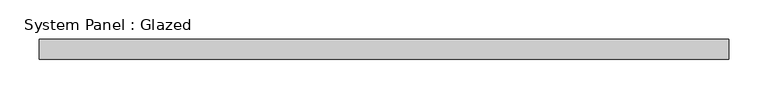
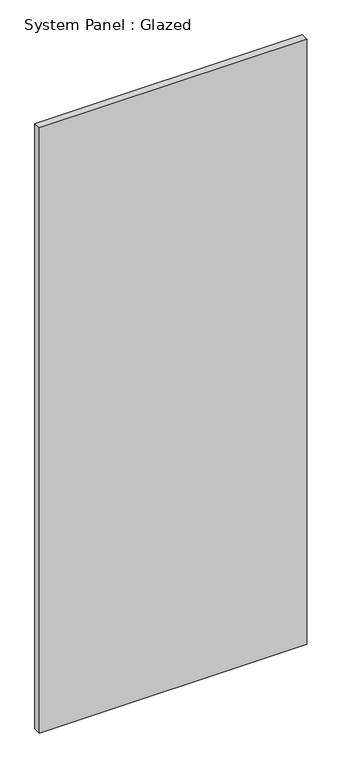
"""IFC4 building model written with IfcOpenShell, lengths in millimetres: plate geometry, System Panel : Glazed."""

from ifc_helpers import new_model, si_unit, origin, origin_with_axes, place, context, project, spatial, polyline, outline, extrude, source, transform, mapped, element, save


def system_panel_glazed_a6a65485(model_context):
    return source(origin(), model_context, "Body", "SweptSolid", [
        extrude(outline(polyline([(438.15, 19.05), (-438.15, 19.05), (-438.15, 44.45), (438.15, 44.45), (438.15, 19.05)])), origin_with_axes(), (0.0, 0.0, 1.0), 2095.5),
    ])


if __name__ == "__main__":
    model = new_model("IFC4")
    model_context = context("Model", 3, world=origin())
    ifc_project = project(units=[si_unit("LENGTHUNIT", "METRE", prefix="MILLI")], contexts=[model_context])
    site = spatial("IfcSite", under=ifc_project)
    building = spatial("IfcBuilding", under=site)
    placement = place(None, origin())
    system_panel_glazed_shape = system_panel_glazed_a6a65485(model_context)
    element("IfcPlate", 1, ObjectType="System Panel : Glazed", at=placement, inside=building, context=model_context, shape_type="MappedRepresentation", body=[
        mapped(system_panel_glazed_shape, transform((0.0, 0.0, 0.0), x_axis=(1.0, 0.0, 0.0), y_axis=(0.0, 1.0, 0.0), z_axis=(0.0, 0.0, 1.0))),
    ])
    save(model, "model.ifc")
